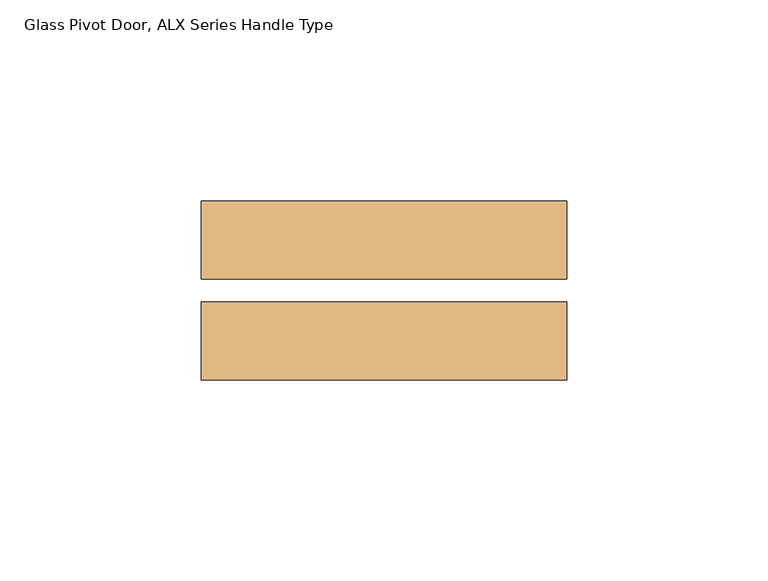
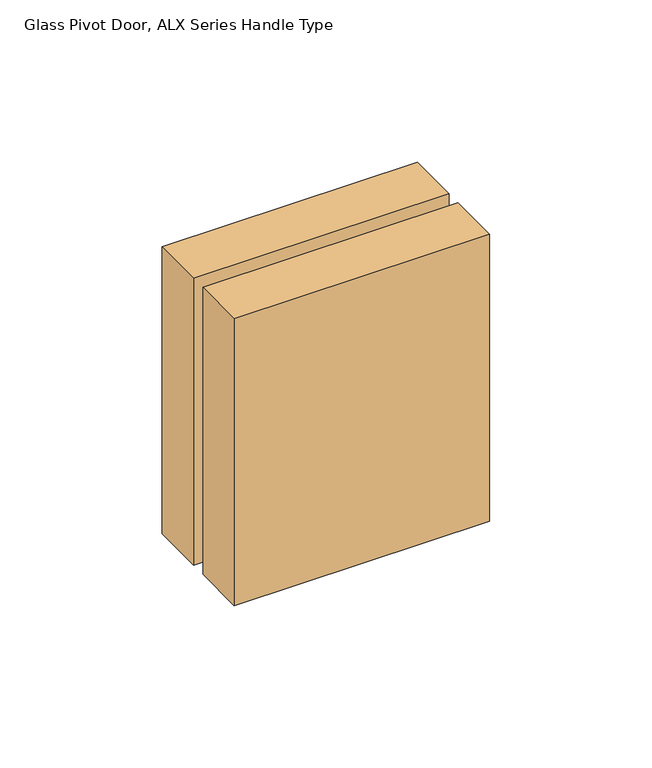
"""IFC4 building model written with IfcOpenShell, lengths in millimetres: door geometry, Glass Pivot Door, ALX Series Handle Type."""

from ifc_helpers import new_model, si_unit, frame, origin, place, context, project, spatial, polyline, outline, extrude, source, transform, mapped, element, save


def glass_pivot_door_alx_series_handle_type_9ef4710f(model_context):
    return source(origin(), model_context, "Body", "SweptSolid", [
        extrude(outline(polyline([(-365.125, -49.2748545), (-455.93, -49.2748545), (-455.93, -29.9073545), (-365.125, -29.9073545), (-365.125, -49.2748545)])), frame((0.0, 0.0, 954.1764), z_axis=(0.0, 0.0, 1.0), x_axis=(1.0, 0.0, 0.0)), (0.0, 0.0, 1.0), 107.95),
        extrude(outline(polyline([(-365.125, -24.1923545), (-455.93, -24.1923545), (-455.93, -4.8248545), (-365.125, -4.8248545), (-365.125, -24.1923545)])), frame((0.0, 0.0, 954.1764), z_axis=(0.0, 0.0, 1.0), x_axis=(1.0, 0.0, 0.0)), (0.0, 0.0, 1.0), 107.95),
    ])


if __name__ == "__main__":
    model = new_model("IFC4")
    model_context = context("Model", 3, world=origin())
    ifc_project = project(units=[si_unit("LENGTHUNIT", "METRE", prefix="MILLI")], contexts=[model_context])
    site = spatial("IfcSite", under=ifc_project)
    building = spatial("IfcBuilding", under=site)
    placement = place(None, origin())
    glass_pivot_door_alx_series_handle_type_shape = glass_pivot_door_alx_series_handle_type_9ef4710f(model_context)
    element("IfcDoor", 1, ObjectType="Glass Pivot Door, ALX Series Handle Type", at=placement, inside=building, context=model_context, shape_type="MappedRepresentation", body=[
        mapped(glass_pivot_door_alx_series_handle_type_shape, transform((0.0, 0.0, 0.0), x_axis=(1.0, 0.0, 0.0), y_axis=(0.0, 1.0, 0.0), z_axis=(0.0, 0.0, 1.0))),
    ])
    save(model, "model.ifc")
